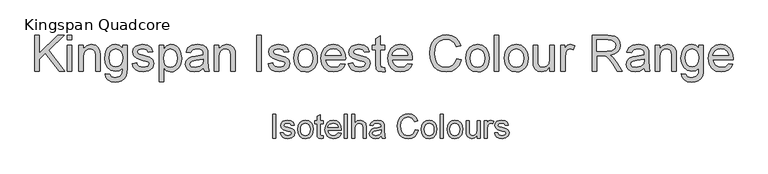
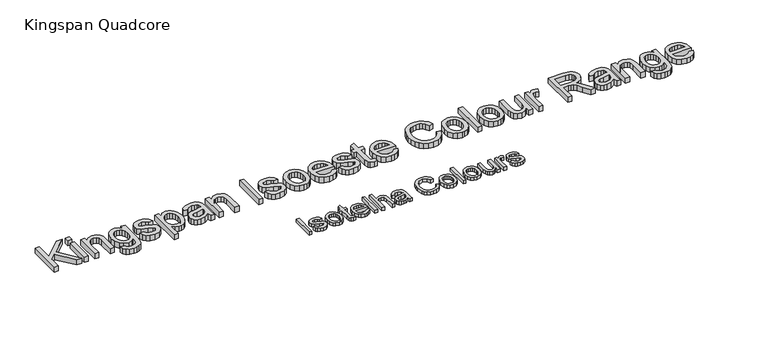
"""IFC4 building model written with IfcOpenShell, lengths in millimetres: proxy geometry, Kingspan Quadcore."""

from ifc_helpers import new_model, si_unit, origin, origin_with_axes, place, context, project, spatial, polyline, outline, extrude, source, transform, mapped, element, save


def kingspan_quadcore_5070884a(model_context):
    return source(origin(), model_context, "Body", "SweptSolid", [
        extrude(outline(polyline([(-1457.4013121, 700.0), (-1457.4013121, 850.6844652), (-1438.5657539, 850.6844652), (-1438.5657539, 776.9241252), (-1361.310535, 850.6844652), (-1334.9701841, 850.6844652), (-1399.8277798, 788.7331372), (-1332.6157393, 700.0), (-1355.6451522, 700.0), (-1413.1818963, 776.0044202), (-1438.5657539, 751.7977849), (-1438.5657539, 700.0), (-1457.4013121, 700.0)])), origin_with_axes(), (0.0, 0.0, 1.0), 25.0),
        extrude(outline(polyline([(-1320.8435155, 831.8489071), (-1320.8435155, 850.6844652), (-1302.0079573, 850.6844652), (-1302.0079573, 831.8489071), (-1320.8435155, 831.8489071)])), origin_with_axes(), (0.0, 0.0, 1.0), 25.0),
        extrude(outline(polyline([(-1320.8435155, 700.0), (-1320.8435155, 810.6589041), (-1302.0079573, 810.6589041), (-1302.0079573, 700.0), (-1320.8435155, 700.0)])), origin_with_axes(), (0.0, 0.0, 1.0), 25.0),
        extrude(outline(polyline([(-1273.7546201, 700.0), (-1273.7546201, 810.6589041), (-1254.9190619, 810.6589041), (-1254.9190619, 795.2078604), (-1240.5164818, 808.5619768), (-1220.8531892, 813.0133489), (-1203.0660947, 809.4264995), (-1190.9259889, 800.0087204), (-1185.2790003, 786.1579633), (-1184.2857189, 767.9478045), (-1184.2857189, 700.0), (-1203.121277, 700.0), (-1203.121277, 765.4094187), (-1205.2917808, 782.0744731), (-1212.9621204, 790.8852469), (-1225.8931725, 794.1777908), (-1236.9250339, 792.3291837), (-1246.3290174, 786.7833627), (-1252.7715508, 776.0687996), (-1254.9190619, 758.7139664), (-1254.9190619, 700.0), (-1273.7546201, 700.0)])), origin_with_axes(), (0.0, 0.0, 1.0), 25.0),
        extrude(outline(polyline([(-1163.095716, 690.5822209), (-1144.2601578, 688.2277762), (-1138.1533167, 678.2949623), (-1119.8695815, 674.1011075), (-1100.592565, 678.8467853), (-1091.3955151, 692.1641135), (-1090.1079281, 714.1266686), (-1103.370074, 703.5316672), (-1119.5384877, 700.0), (-1138.9580585, 704.1110813), (-1153.4388136, 716.4443252), (-1162.4473239, 734.5257252), (-1165.4501607, 755.8812751), (-1160.0606895, 785.0727114), (-1153.4664047, 796.9231102), (-1144.4624929, 805.7292854), (-1133.3570552, 811.192333), (-1120.4581927, 813.0133489), (-1103.6551826, 808.8930706), (-1090.1079281, 796.5322355), (-1090.1079281, 810.6589041), (-1071.27237, 810.6589041), (-1071.27237, 715.11995), (-1072.5599569, 693.0608259), (-1076.4227179, 678.5340856), (-1083.0767835, 668.9001758), (-1092.7382844, 661.5195433), (-1105.1956884, 656.8290479), (-1120.2374635, 655.2655494), (-1137.7624421, 657.4682428), (-1151.5626154, 664.0763232), (-1160.4147759, 675.1081845), (-1163.095716, 690.5822209)]), holes=[polyline([(-1146.6146026, 757.1688621), (-1144.6050472, 739.8922039), (-1138.576381, 728.0142139), (-1129.5126883, 721.1302221), (-1118.3980535, 718.8355582), (-1107.3661922, 721.1164265), (-1098.2565143, 727.9590316), (-1092.1450747, 739.6852702), (-1090.1079281, 756.6170391), (-1092.2048555, 772.9464011), (-1098.4956376, 784.7048294), (-1107.7386727, 791.8095504), (-1118.6923591, 794.1777908), (-1129.448309, 791.8463386), (-1138.4660164, 784.8519822), (-1144.577456, 773.2682979), (-1146.6146026, 757.1688621)])]), origin_with_axes(), (0.0, 0.0, 1.0), 25.0),
        extrude(outline(polyline([(-1050.082367, 732.9622268), (-1031.2468089, 735.3166715), (-1028.2761618, 727.2600558), (-1022.5280056, 721.3371557), (-1002.5520133, 716.4811134), (-983.3485731, 720.9324855), (-977.0945792, 731.3803342), (-978.6672747, 736.1811942), (-983.3853613, 739.8416201), (-1002.7727425, 745.2126972), (-1031.1364443, 754.4281412), (-1043.5156734, 765.1886895), (-1047.7279223, 780.3822159), (-1044.3434079, 794.4169141), (-1035.1095698, 805.1406742), (-1023.1350109, 810.7140864), (-1006.929809, 813.0133489), (-984.0107607, 809.3161349), (-969.4426337, 799.3097446), (-962.9679106, 782.4055669), (-981.8034687, 780.0511222), (-988.8851971, 790.4437885), (-1005.458281, 794.1777908), (-1023.4844988, 790.6093354), (-1028.8923641, 782.2952023), (-1026.6482839, 776.8137606), (-1019.6217378, 772.656694), (-1003.3981418, 768.6467803), (-975.7518099, 759.7808242), (-962.9127283, 749.7376457), (-958.259021, 733.366897), (-963.7220687, 715.3406792), (-979.4858122, 702.2624743), (-1002.8095307, 697.6455552), (-1021.8014387, 699.8712413), (-1035.6613928, 706.5482995), (-1044.913625, 717.6031535), (-1050.082367, 732.9622268)])), origin_with_axes(), (0.0, 0.0, 1.0), 25.0),
        extrude(outline(polyline([(-937.0690181, 657.6199942), (-937.0690181, 810.6589041), (-918.23346, 810.6589041), (-918.23346, 792.191228), (-905.2104373, 807.8078187), (-887.625678, 813.0133489), (-874.8877639, 811.192333), (-863.7501365, 805.7292854), (-854.6818453, 796.9552998), (-848.1519399, 785.2014701), (-842.8912273, 756.1755807), (-844.3765509, 740.0669478), (-848.8325216, 725.6597692), (-856.1165851, 713.6852102), (-866.0861871, 704.8744364), (-877.6974626, 699.4527755), (-889.9065463, 697.6455552), (-906.2956892, 702.4832035), (-918.23346, 714.7152798), (-918.23346, 657.6199942), (-937.0690181, 657.6199942)]), holes=[polyline([(-918.23346, 754.4465353), (-916.1963134, 737.5607517), (-910.0848738, 725.7517397), (-901.0671664, 718.79877), (-890.3112165, 716.4811134), (-879.3805227, 718.8815434), (-870.1328891, 726.0828335), (-863.8283114, 738.3241068), (-861.7267855, 755.8444869), (-863.7777276, 772.6382999), (-869.930554, 784.6128589), (-878.9344658, 791.7865578), (-889.5386643, 794.1777908), (-900.1842496, 791.6348065), (-909.5330508, 784.0058536), (-916.0583577, 771.5300554), (-918.23346, 754.4465353)])]), origin_with_axes(), (0.0, 0.0, 1.0), 25.0),
        extrude(outline(polyline([(-751.0678814, 714.1266686), (-769.3332224, 701.3611634), (-789.5115498, 697.6455552), (-805.2523007, 699.8804384), (-816.8635762, 706.5850877), (-824.0234795, 716.7662219), (-826.410114, 729.4305596), (-822.8048704, 744.3297804), (-813.331909, 755.1455111), (-800.1433395, 761.3259286), (-783.8461671, 764.15862), (-751.178246, 770.6333431), (-751.0678814, 774.8271978), (-752.3646654, 783.2333014), (-756.2550175, 788.7331372), (-764.9554267, 792.8166274), (-777.0771384, 794.1777908), (-796.1334258, 790.5541531), (-805.220111, 777.6966774), (-824.0556692, 780.0511222), (-815.907083, 798.4452219), (-799.499546, 809.2241644), (-774.6491172, 813.0133489), (-751.8220394, 809.6656228), (-738.9277755, 801.2595192), (-733.1520282, 788.4756198), (-732.2323232, 771.9945065), (-732.2323232, 748.5604234), (-731.27583, 715.8373199), (-727.5234337, 700.0), (-746.3589918, 700.0), (-751.0678814, 714.1266686)]), holes=[polyline([(-751.0678814, 751.7977849), (-781.4549342, 746.0220376), (-797.660136, 742.968617), (-804.9993818, 738.0022101), (-807.5745558, 730.7549348), (-801.9643554, 720.5646035), (-785.5016361, 716.4811134), (-766.4453488, 720.9876678), (-754.1580901, 731.895369), (-751.178246, 746.463496), (-751.0678814, 751.7977849)])]), origin_with_axes(), (0.0, 0.0, 1.0), 25.0),
        extrude(outline(polyline([(-706.3334307, 700.0), (-706.3334307, 810.6589041), (-687.4978726, 810.6589041), (-687.4978726, 795.2078604), (-673.0952925, 808.5619768), (-653.4319998, 813.0133489), (-635.6449054, 809.4264995), (-623.5047995, 800.0087204), (-617.8578109, 786.1579633), (-616.8645295, 767.9478045), (-616.8645295, 700.0), (-635.7000877, 700.0), (-635.7000877, 765.4094187), (-637.8705914, 782.0744731), (-645.540931, 790.8852469), (-658.4719832, 794.1777908), (-669.5038445, 792.3291837), (-678.907828, 786.7833627), (-685.3503614, 776.0687996), (-687.4978726, 758.7139664), (-687.4978726, 700.0), (-706.3334307, 700.0)])), origin_with_axes(), (0.0, 0.0, 1.0), 25.0),
        extrude(outline(polyline([(-527.3956283, 700.0), (-527.3956283, 850.6844652), (-508.5600701, 850.6844652), (-508.5600701, 700.0), (-527.3956283, 700.0)])), origin_with_axes(), (0.0, 0.0, 1.0), 25.0),
        extrude(outline(polyline([(-480.3067329, 732.9622268), (-461.4711747, 735.3166715), (-458.5005276, 727.2600558), (-452.7523715, 721.3371557), (-432.7763791, 716.4811134), (-413.572939, 720.9324855), (-407.3189451, 731.3803342), (-408.8916406, 736.1811942), (-413.6097272, 739.8416201), (-432.9971083, 745.2126972), (-461.3608102, 754.4281412), (-473.7400393, 765.1886895), (-477.9522881, 780.3822159), (-474.5677738, 794.4169141), (-465.3339357, 805.1406742), (-453.3593768, 810.7140864), (-437.1541749, 813.0133489), (-414.2351266, 809.3161349), (-399.6669996, 799.3097446), (-393.1922764, 782.4055669), (-412.0278346, 780.0511222), (-419.109563, 790.4437885), (-435.6826469, 794.1777908), (-453.7088647, 790.6093354), (-459.11673, 782.2952023), (-456.8726498, 776.8137606), (-449.8461037, 772.656694), (-433.6225077, 768.6467803), (-405.9761758, 759.7808242), (-393.1370941, 749.7376457), (-388.4833869, 733.366897), (-393.9464345, 715.3406792), (-409.710178, 702.2624743), (-433.0338965, 697.6455552), (-452.0258045, 699.8712413), (-465.8857587, 706.5482995), (-475.1379909, 717.6031535), (-480.3067329, 732.9622268)])), origin_with_axes(), (0.0, 0.0, 1.0), 25.0),
        extrude(outline(polyline([(-372.0022735, 755.3294521), (-367.9279804, 782.0100938), (-355.7051011, 800.7628785), (-340.6035452, 809.9507313), (-322.5221452, 813.0133489), (-302.7346924, 809.2839452), (-286.9295621, 798.095734), (-276.5690854, 780.3316322), (-273.1155932, 756.8745565), (-274.6423035, 737.8458603), (-279.2224343, 723.3605067), (-286.7226285, 712.5125864), (-297.0095288, 704.3961898), (-309.2278096, 699.3332139), (-322.5221452, 697.6455552), (-342.5487213, 701.3611634), (-358.3354574, 712.5079878), (-368.5855695, 730.6445702), (-372.0022735, 755.3294521)]), holes=[polyline([(-353.1667154, 755.3662403), (-350.9870145, 738.3195083), (-344.4479121, 726.174804), (-334.6070687, 718.904536), (-322.5221452, 716.4811134), (-310.4924039, 718.9183316), (-300.6699547, 726.2299863), (-294.1308522, 738.535639), (-291.9511514, 755.9548515), (-294.1446478, 772.5049427), (-300.725137, 784.4841002), (-310.5613818, 791.7543681), (-322.5221452, 794.1777908), (-334.6070687, 791.7635652), (-344.4479121, 784.5208884), (-350.9870145, 772.4037752), (-353.1667154, 755.3662403)])]), origin_with_axes(), (0.0, 0.0, 1.0), 25.0),
        extrude(outline(polyline([(-174.4496421, 732.9622268), (-155.981966, 730.607782), (-162.6360315, 716.6926455), (-173.2540256, 706.2907821), (-187.5968249, 699.806862), (-205.4253061, 697.6455552), (-227.525817, 701.374959), (-244.5311622, 712.5631701), (-255.374484, 730.4836218), (-258.9889246, 754.4097471), (-255.3376958, 779.1406142), (-244.3840094, 797.6358815), (-227.6085904, 809.1689821), (-206.4921639, 813.0133489), (-186.0333264, 809.1781791), (-169.6855703, 797.6726697), (-158.9664086, 779.2141906), (-155.3933548, 754.5201117), (-155.5037194, 749.4433402), (-240.1533665, 749.4433402), (-236.8930123, 735.3442627), (-229.3192417, 724.9791875), (-218.3885479, 718.6056319), (-205.0574241, 716.4811134), (-186.589748, 720.4174507), (-174.4496421, 732.9622268)]), holes=[polyline([(-240.1533665, 768.2788983), (-174.2289129, 768.2788983), (-176.7764957, 778.2301063), (-181.7704938, 785.3486229), (-192.7517714, 791.9704988), (-206.5657403, 794.1777908), (-219.2622677, 792.4165557), (-229.7607001, 787.1328506), (-237.0585592, 778.8968924), (-240.1533665, 768.2788983)])]), origin_with_axes(), (0.0, 0.0, 1.0), 25.0),
        extrude(outline(polyline([(-143.6211309, 732.9622268), (-124.7855728, 735.3166715), (-121.8149257, 727.2600558), (-116.0667695, 721.3371557), (-96.0907771, 716.4811134), (-76.887337, 720.9324855), (-70.6333431, 731.3803342), (-72.2060386, 736.1811942), (-76.9241252, 739.8416201), (-96.3115063, 745.2126972), (-124.6752082, 754.4281412), (-137.0544373, 765.1886895), (-141.2666861, 780.3822159), (-137.8821718, 794.4169141), (-128.6483337, 805.1406742), (-116.6737748, 810.7140864), (-100.4685729, 813.0133489), (-77.5495246, 809.3161349), (-62.9813976, 799.3097446), (-56.5066745, 782.4055669), (-75.3422326, 780.0511222), (-82.423961, 790.4437885), (-98.9970449, 794.1777908), (-117.0232627, 790.6093354), (-122.431128, 782.2952023), (-120.1870478, 776.8137606), (-113.1605017, 772.656694), (-96.9369057, 768.6467803), (-69.2905738, 759.7808242), (-56.4514922, 749.7376457), (-51.7977849, 733.366897), (-57.2608325, 715.3406792), (-73.024576, 702.2624743), (-96.3482945, 697.6455552), (-115.3402025, 699.8712413), (-129.2001567, 706.5482995), (-138.4523889, 717.6031535), (-143.6211309, 732.9622268)])), origin_with_axes(), (0.0, 0.0, 1.0), 25.0),
        extrude(outline(polyline([(9.4177791, 715.7085612), (11.7722238, 699.448177), (-2.3176566, 697.6455552), (-18.0997942, 700.7725522), (-25.9724689, 708.9763207), (-28.2533372, 730.3502646), (-28.2533372, 791.823346), (-42.3800058, 791.823346), (-42.3800058, 810.6589041), (-28.2533372, 810.6589041), (-28.2533372, 837.551078), (-9.4177791, 848.6243261), (-9.4177791, 810.6589041), (9.4177791, 810.6589041), (9.4177791, 791.823346), (-9.4177791, 791.823346), (-9.4177791, 730.9020876), (-8.4244977, 721.1900029), (-5.2055302, 717.7503063), (1.2140106, 716.4811134), (9.4177791, 715.7085612)])), origin_with_axes(), (0.0, 0.0, 1.0), 25.0),
        extrude(outline(polyline([(105.7292854, 732.9622268), (124.1969616, 730.607782), (117.542896, 716.6926455), (106.9249019, 706.2907821), (92.5821026, 699.806862), (74.7536214, 697.6455552), (52.6531106, 701.374959), (35.6477653, 712.5631701), (24.8044435, 730.4836218), (21.1900029, 754.4097471), (24.8412317, 779.1406142), (35.7949181, 797.6358815), (52.5703371, 809.1689821), (73.6867636, 813.0133489), (94.1456011, 809.1781791), (110.4933573, 797.6726697), (121.2125189, 779.2141906), (124.7855728, 754.5201117), (124.6752082, 749.4433402), (40.0255611, 749.4433402), (43.2859153, 735.3442627), (50.8596858, 724.9791875), (61.7903796, 718.6056319), (75.1215034, 716.4811134), (93.5891796, 720.4174507), (105.7292854, 732.9622268)]), holes=[polyline([(40.0255611, 768.2788983), (105.9500146, 768.2788983), (103.4024318, 778.2301063), (98.4084337, 785.3486229), (87.4271562, 791.9704988), (73.6131872, 794.1777908), (60.9166599, 792.4165557), (50.4182274, 787.1328506), (43.1203684, 778.8968924), (40.0255611, 768.2788983)])]), origin_with_axes(), (0.0, 0.0, 1.0), 25.0),
        extrude(outline(polyline([(310.7867095, 753.5636185), (329.6222677, 748.7075762), (320.9310555, 726.7588166), (307.2918306, 710.7237602), (289.3759774, 700.9151065), (267.8548807, 697.6455552), (246.0072887, 700.1195616), (228.6570541, 707.5415809), (215.35812, 719.6540956), (205.6644294, 736.1995883), (199.7461278, 755.6513488), (197.7733606, 776.4826668), (200.0036452, 798.454419), (206.694499, 817.4279329), (217.4964341, 832.8008017), (232.0599626, 843.9706188), (249.3320222, 850.7718372), (268.2595509, 853.03891), (288.9115264, 850.1050511), (305.9858495, 841.3034743), (318.9490913, 827.1768057), (327.2678229, 808.2676712), (308.4322648, 803.7795108), (301.9023593, 817.5153048), (292.981221, 826.9376824), (281.558485, 832.3869345), (267.5237869, 834.2033518), (251.3461762, 832.1891979), (238.0564391, 826.1467361), (227.9718739, 816.710563), (221.4097788, 804.5152748), (216.6089188, 776.519455), (218.029863, 759.1186366), (222.2926956, 744.072263), (229.558365, 731.9551498), (239.9878196, 723.3421126), (252.4912089, 718.1963632), (265.9786825, 716.4811134), (281.7010393, 718.8171641), (294.8022368, 725.8253161), (304.693664, 737.431993), (310.7867095, 753.5636185)])), origin_with_axes(), (0.0, 0.0, 1.0), 25.0),
        extrude(outline(polyline([(348.4578258, 755.3294521), (352.5321189, 782.0100938), (364.7549982, 800.7628785), (379.8565541, 809.9507313), (397.9379542, 813.0133489), (417.725407, 809.2839452), (433.5305372, 798.095734), (443.8910139, 780.3316322), (447.3445061, 756.8745565), (445.8177959, 737.8458603), (441.237665, 723.3605067), (433.7374708, 712.5125864), (423.4505705, 704.3961898), (411.2322898, 699.3332139), (397.9379542, 697.6455552), (377.9113781, 701.3611634), (362.124642, 712.5079878), (351.8745299, 730.6445702), (348.4578258, 755.3294521)]), holes=[polyline([(367.293384, 755.3662403), (369.4730848, 738.3195083), (376.0121873, 726.174804), (385.8530306, 718.904536), (397.9379542, 716.4811134), (409.9676954, 718.9183316), (419.7901447, 726.2299863), (426.3292472, 738.535639), (428.508948, 755.9548515), (426.3154516, 772.5049427), (419.7349624, 784.4841002), (409.8987176, 791.7543681), (397.9379542, 794.1777908), (385.8530306, 791.7635652), (376.0121873, 784.5208884), (369.4730848, 772.4037752), (367.293384, 755.3662403)])]), origin_with_axes(), (0.0, 0.0, 1.0), 25.0),
        extrude(outline(polyline([(468.5345091, 700.0), (468.5345091, 850.6844652), (487.3700672, 850.6844652), (487.3700672, 700.0), (468.5345091, 700.0)])), origin_with_axes(), (0.0, 0.0, 1.0), 25.0),
        extrude(outline(polyline([(510.9145149, 755.3294521), (514.988808, 782.0100938), (527.2116873, 800.7628785), (542.3132432, 809.9507313), (560.3946433, 813.0133489), (580.1820961, 809.2839452), (595.9872263, 798.095734), (606.347703, 780.3316322), (609.8011952, 756.8745565), (608.2744849, 737.8458603), (603.6943541, 723.3605067), (596.1941599, 712.5125864), (585.9072596, 704.3961898), (573.6889789, 699.3332139), (560.3946433, 697.6455552), (540.3680671, 701.3611634), (524.581331, 712.5079878), (514.3312189, 730.6445702), (510.9145149, 755.3294521)]), holes=[polyline([(529.7500731, 755.3662403), (531.9297739, 738.3195083), (538.4688763, 726.174804), (548.3097197, 718.904536), (560.3946433, 716.4811134), (572.4243845, 718.9183316), (582.2468338, 726.2299863), (588.7859362, 738.535639), (590.9656371, 755.9548515), (588.7721407, 772.5049427), (582.1916515, 784.4841002), (572.3554066, 791.7543681), (560.3946433, 794.1777908), (548.3097197, 791.7635652), (538.4688763, 784.5208884), (531.9297739, 772.4037752), (529.7500731, 755.3662403)])]), origin_with_axes(), (0.0, 0.0, 1.0), 25.0),
        extrude(outline(polyline([(701.6245412, 700.0), (701.6245412, 719.0194992), (686.8724732, 702.9890412), (667.6322448, 697.6455552), (649.9187268, 701.3979516), (637.7050445, 710.8157307), (632.0948441, 724.6848819), (630.9911981, 742.1960648), (630.9911981, 810.6589041), (649.8267563, 810.6589041), (649.8267563, 751.0620209), (650.9671905, 731.8585808), (658.4168009, 720.5829976), (672.451499, 716.4811134), (688.1784543, 720.6749681), (698.5711206, 732.0977041), (701.6245412, 753.0853719), (701.6245412, 810.6589041), (720.4600994, 810.6589041), (720.4600994, 700.0), (701.6245412, 700.0)])), origin_with_axes(), (0.0, 0.0, 1.0), 25.0),
        extrude(outline(polyline([(746.3589918, 700.0), (746.3589918, 810.6589041), (762.8401052, 810.6589041), (762.8401052, 794.2881554), (774.5387526, 809.3713172), (786.3109765, 813.0133489), (805.220111, 807.2008134), (798.9293289, 790.3150298), (785.6855771, 794.1777908), (775.0353933, 790.4621826), (768.2479705, 780.1614867), (765.19455, 758.1621434), (765.19455, 700.0), (746.3589918, 700.0)])), origin_with_axes(), (0.0, 0.0, 1.0), 25.0),
        extrude(outline(polyline([(878.2078989, 700.0), (878.2078989, 850.6844652), (943.139071, 850.6844652), (973.2870005, 846.6193692), (982.5668239, 840.9907747), (989.7681139, 832.2351832), (994.3896315, 821.3780658), (995.9301373, 809.4448936), (993.377956, 794.6008551), (985.721412, 782.2952023), (972.730579, 773.2728964), (954.1755309, 768.2788983), (964.8808969, 760.2222826), (980.1479997, 740.8349015), (1005.27434, 700.0), (983.3853613, 700.0), (963.777251, 731.2331814), (949.6137941, 751.9081495), (939.6625862, 761.6754165), (930.7046596, 765.2622659), (919.7785643, 765.9244535), (897.043457, 765.9244535), (897.043457, 700.0), (878.2078989, 700.0)]), holes=[polyline([(897.043457, 784.7600117), (939.2027337, 784.7600117), (960.7054363, 787.4271562), (972.9191185, 795.9620184), (977.0945792, 808.7459178), (975.1034179, 817.9337706), (969.129934, 825.3373958), (958.8522308, 830.2210292), (943.9484114, 831.8489071), (897.043457, 831.8489071), (897.043457, 784.7600117)])]), origin_with_axes(), (0.0, 0.0, 1.0), 25.0),
        extrude(outline(polyline([(1097.1712624, 714.1266686), (1078.9059214, 701.3611634), (1058.7275939, 697.6455552), (1042.9868431, 699.8804384), (1031.3755676, 706.5850877), (1024.2156642, 716.7662219), (1021.8290298, 729.4305596), (1025.4342734, 744.3297804), (1034.9072347, 755.1455111), (1048.0958043, 761.3259286), (1064.3929766, 764.15862), (1097.0608978, 770.6333431), (1097.1712624, 774.8271978), (1095.8744784, 783.2333014), (1091.9841263, 788.7331372), (1083.2837171, 792.8166274), (1071.1620054, 794.1777908), (1052.105718, 790.5541531), (1043.0190327, 777.6966774), (1024.1834746, 780.0511222), (1032.3320608, 798.4452219), (1048.7395978, 809.2241644), (1073.5900265, 813.0133489), (1096.4171043, 809.6656228), (1109.3113683, 801.2595192), (1115.0871156, 788.4756198), (1116.0068206, 771.9945065), (1116.0068206, 748.5604234), (1116.9633138, 715.8373199), (1120.7157101, 700.0), (1101.880152, 700.0), (1097.1712624, 714.1266686)]), holes=[polyline([(1097.1712624, 751.7977849), (1066.7842096, 746.0220376), (1050.5790077, 742.968617), (1043.2397619, 738.0022101), (1040.664588, 730.7549348), (1046.2747884, 720.5646035), (1062.7375077, 716.4811134), (1081.793795, 720.9876678), (1094.0810537, 731.895369), (1097.0608978, 746.463496), (1097.1712624, 751.7977849)])]), origin_with_axes(), (0.0, 0.0, 1.0), 25.0),
        extrude(outline(polyline([(1141.905713, 700.0), (1141.905713, 810.6589041), (1160.7412712, 810.6589041), (1160.7412712, 795.2078604), (1175.1438513, 808.5619768), (1194.8071439, 813.0133489), (1212.5942384, 809.4264995), (1224.7343442, 800.0087204), (1230.3813329, 786.1579633), (1231.3746143, 767.9478045), (1231.3746143, 700.0), (1212.5390561, 700.0), (1212.5390561, 765.4094187), (1210.3685523, 782.0744731), (1202.6982127, 790.8852469), (1189.7671606, 794.1777908), (1178.7352993, 792.3291837), (1169.3313158, 786.7833627), (1162.8887823, 776.0687996), (1160.7412712, 758.7139664), (1160.7412712, 700.0), (1141.905713, 700.0)])), origin_with_axes(), (0.0, 0.0, 1.0), 25.0),
        extrude(outline(polyline([(1252.5646172, 690.5822209), (1271.4001753, 688.2277762), (1277.5070165, 678.2949623), (1295.7907516, 674.1011075), (1315.0677682, 678.8467853), (1324.264818, 692.1641135), (1325.552405, 714.1266686), (1312.2902591, 703.5316672), (1296.1218454, 700.0), (1276.7022746, 704.1110813), (1262.2215196, 716.4443252), (1253.2130092, 734.5257252), (1250.2101724, 755.8812751), (1255.5996436, 785.0727114), (1262.1939284, 796.9231102), (1271.1978402, 805.7292854), (1282.303278, 811.192333), (1295.2021404, 813.0133489), (1312.0051505, 808.8930706), (1325.552405, 796.5322355), (1325.552405, 810.6589041), (1344.3879632, 810.6589041), (1344.3879632, 715.11995), (1343.1003762, 693.0608259), (1339.2376152, 678.5340856), (1332.5835497, 668.9001758), (1322.9220488, 661.5195433), (1310.4646447, 656.8290479), (1295.4228696, 655.2655494), (1277.8978911, 657.4682428), (1264.0977177, 664.0763232), (1255.2455572, 675.1081845), (1252.5646172, 690.5822209)]), holes=[polyline([(1269.0457306, 757.1688621), (1271.055286, 739.8922039), (1277.0839522, 728.0142139), (1286.1476448, 721.1302221), (1297.2622796, 718.8355582), (1308.2941409, 721.1164265), (1317.4038188, 727.9590316), (1323.5152585, 739.6852702), (1325.552405, 756.6170391), (1323.4554776, 772.9464011), (1317.1646955, 784.7048294), (1307.9216604, 791.8095504), (1296.967974, 794.1777908), (1286.2120242, 791.8463386), (1277.1943168, 784.8519822), (1271.0828771, 773.2682979), (1269.0457306, 757.1688621)])]), origin_with_axes(), (0.0, 0.0, 1.0), 25.0),
        extrude(outline(polyline([(1450.1172486, 732.9622268), (1468.5849247, 730.607782), (1461.9308592, 716.6926455), (1451.3128651, 706.2907821), (1436.9700658, 699.806862), (1419.1415846, 697.6455552), (1397.0410737, 701.374959), (1380.0357285, 712.5631701), (1369.1924067, 730.4836218), (1365.5779661, 754.4097471), (1369.2291949, 779.1406142), (1380.1828813, 797.6358815), (1396.9583003, 809.1689821), (1418.0747268, 813.0133489), (1438.5335643, 809.1781791), (1454.8813204, 797.6726697), (1465.6004821, 779.2141906), (1469.1735359, 754.5201117), (1469.0631713, 749.4433402), (1384.4135242, 749.4433402), (1387.6738784, 735.3442627), (1395.247649, 724.9791875), (1406.1783428, 718.6056319), (1419.5094666, 716.4811134), (1437.9771427, 720.4174507), (1450.1172486, 732.9622268)]), holes=[polyline([(1384.4135242, 768.2788983), (1450.3379778, 768.2788983), (1447.790395, 778.2301063), (1442.7963969, 785.3486229), (1431.8151193, 791.9704988), (1418.0011504, 794.1777908), (1405.3046231, 792.4165557), (1394.8061906, 787.1328506), (1387.5083315, 778.8968924), (1384.4135242, 768.2788983)])]), origin_with_axes(), (0.0, 0.0, 1.0), 25.0),
        extrude(outline(polyline([(-459.9015449, 420.0), (-459.9015449, 520.4563101), (-447.3445061, 520.4563101), (-447.3445061, 420.0), (-459.9015449, 420.0)])), origin_with_axes(), (0.0, 0.0, 1.0), 15.0),
        extrude(outline(polyline([(-428.508948, 441.9748178), (-415.9519092, 443.5444477), (-410.1393737, 434.2247705), (-396.8220455, 430.9874089), (-384.019752, 433.9549904), (-379.8504228, 440.9202228), (-384.0442775, 446.5610801), (-396.9691983, 450.1417981), (-415.8783328, 456.2854275), (-424.1311522, 463.4591264), (-426.9393181, 473.588144), (-424.6829752, 482.9446094), (-418.5270832, 490.0937828), (-410.5440439, 493.809391), (-399.740576, 495.3422326), (-384.4612104, 492.8774232), (-374.7491258, 486.2064964), (-370.4326437, 474.9370446), (-382.9896824, 473.3674148), (-387.7108347, 480.295859), (-398.7595573, 482.7851938), (-410.7770358, 480.4062236), (-414.3822794, 474.8634682), (-412.8862259, 471.2091737), (-408.2018618, 468.437796), (-397.3861312, 465.7645202), (-378.9552432, 459.8538828), (-370.3958555, 453.1584305), (-367.293384, 442.244598), (-370.9354157, 430.2271195), (-381.4445781, 421.5083162), (-396.9937237, 418.4303702), (-409.6549957, 419.9141609), (-418.8949652, 424.365533), (-425.06312, 431.7354356), (-428.508948, 441.9748178)])), origin_with_axes(), (0.0, 0.0, 1.0), 15.0),
        extrude(outline(polyline([(-356.3059751, 456.8863014), (-353.5897797, 474.6733958), (-345.4411935, 487.1752523), (-335.3734895, 493.3004875), (-323.3192228, 495.3422326), (-310.1275876, 492.8559635), (-299.5908341, 485.397156), (-292.6838497, 473.5544214), (-290.3815215, 457.916371), (-294.4527489, 435.5736711), (-306.3108119, 422.9307932), (-323.3192228, 418.4303702), (-336.6702736, 420.9074423), (-347.1947643, 428.3386586), (-354.0281724, 440.4297135), (-356.3059751, 456.8863014)]), holes=[polyline([(-343.7489363, 456.9108268), (-342.2958024, 445.5463389), (-337.9364008, 437.4498693), (-331.3758385, 432.603024), (-323.3192228, 430.9874089), (-315.2993953, 432.6122211), (-308.7510958, 437.4866575), (-304.3916942, 445.690426), (-302.9385603, 457.3032343), (-304.4008912, 468.3366285), (-308.787884, 476.3227335), (-315.3453806, 481.1695787), (-323.3192228, 482.7851938), (-331.3758385, 481.1757101), (-337.9364008, 476.3472589), (-342.2958024, 468.2691835), (-343.7489363, 456.9108268)])]), origin_with_axes(), (0.0, 0.0, 1.0), 15.0),
        extrude(outline(polyline([(-249.5711455, 430.4723741), (-248.0015157, 419.632118), (-257.3947693, 418.4303702), (-267.9161944, 420.5150348), (-273.1646442, 425.9842138), (-274.6852231, 440.2335097), (-274.6852231, 481.215564), (-284.1030021, 481.215564), (-284.1030021, 493.7726028), (-274.6852231, 493.7726028), (-274.6852231, 511.7007187), (-262.1281843, 519.082884), (-262.1281843, 493.7726028), (-249.5711455, 493.7726028), (-249.5711455, 481.215564), (-262.1281843, 481.215564), (-262.1281843, 440.6013917), (-261.4659967, 434.1266686), (-259.3200184, 431.8335375), (-255.0403245, 430.9874089), (-249.5711455, 430.4723741)])), origin_with_axes(), (0.0, 0.0, 1.0), 15.0),
        extrude(outline(polyline([(-185.3634746, 441.9748178), (-173.0516905, 440.405188), (-177.4877343, 431.1284304), (-184.566397, 424.1938547), (-194.1282632, 419.8712413), (-206.0139173, 418.4303702), (-220.7475912, 420.9166393), (-232.084488, 428.3754468), (-239.3133692, 440.3224146), (-241.7229963, 456.2731647), (-239.2888438, 472.7604095), (-231.9863862, 485.0905877), (-220.8027735, 492.7793214), (-206.7251558, 495.3422326), (-193.0859309, 492.7854527), (-182.1874267, 485.1151131), (-175.041319, 472.8094604), (-172.6592831, 456.3467411), (-172.7328595, 452.9622268), (-229.1659575, 452.9622268), (-226.9923881, 443.5628418), (-221.9432077, 436.6527916), (-214.6560785, 432.4037546), (-205.7686626, 430.9874089), (-193.4568785, 433.6116338), (-185.3634746, 441.9748178)]), holes=[polyline([(-229.1659575, 465.5192655), (-185.2163218, 465.5192655), (-190.2440424, 476.8990819), (-197.5648941, 481.3136659), (-206.7742068, 482.7851938), (-222.2375133, 478.088567), (-227.1027527, 472.5979283), (-229.1659575, 465.5192655)])]), origin_with_axes(), (0.0, 0.0, 1.0), 15.0),
        extrude(outline(polyline([(-160.1022443, 420.0), (-160.1022443, 520.4563101), (-147.5452055, 520.4563101), (-147.5452055, 420.0), (-160.1022443, 420.0)])), origin_with_axes(), (0.0, 0.0, 1.0), 15.0),
        extrude(outline(polyline([(-128.7096474, 420.0), (-128.7096474, 520.4563101), (-116.1526086, 520.4563101), (-116.1526086, 483.5209578), (-106.3608162, 492.3869139), (-94.3004181, 495.3422326), (-80.1982749, 492.1171338), (-71.6388872, 483.2021268), (-69.0637132, 466.6964879), (-69.0637132, 420.0), (-81.620752, 420.0), (-81.620752, 465.3966382), (-85.618403, 478.64039), (-96.9491685, 482.7851938), (-107.2376016, 479.9892907), (-114.1047322, 472.4109216), (-116.1526086, 459.1916952), (-116.1526086, 420.0), (-128.7096474, 420.0)])), origin_with_axes(), (0.0, 0.0, 1.0), 15.0),
        extrude(outline(polyline([(-4.7088895, 429.4177791), (-16.8857836, 420.9074423), (-30.3380019, 418.4303702), (-40.8318358, 419.9202922), (-48.5726861, 424.3900585), (-53.345955, 431.1774813), (-54.9370446, 439.6203731), (-52.5335489, 449.5531869), (-46.2182413, 456.7636741), (-37.4258616, 460.8839524), (-26.5610801, 462.7724133), (-4.7824659, 467.0888954), (-4.7088895, 469.8847985), (-8.1669803, 479.1554248), (-22.0483942, 482.7851938), (-34.7525858, 480.3694354), (-40.810376, 471.7977849), (-53.3674148, 473.3674148), (-47.935024, 485.6301479), (-36.996666, 492.8161096), (-20.4297135, 495.3422326), (-5.2116616, 493.1104152), (3.3845144, 487.5063461), (7.2350126, 478.9837466), (7.8481492, 467.9963376), (7.8481492, 452.3736156), (8.4858114, 430.5582133), (10.9874089, 420.0), (-1.5696298, 420.0), (-4.7088895, 429.4177791)]), holes=[polyline([(-4.7088895, 454.5318566), (-24.9669247, 450.6813584), (-35.7703927, 448.6457447), (-40.6632232, 445.3348067), (-42.3800058, 440.5032899), (-38.6398722, 433.7097357), (-27.664726, 430.9874089), (-14.9605345, 433.9917785), (-6.7690287, 441.2635793), (-4.7824659, 450.975664), (-4.7088895, 454.5318566)])]), origin_with_axes(), (0.0, 0.0, 1.0), 15.0),
        extrude(outline(polyline([(136.5577966, 455.709079), (149.1148354, 452.4717174), (143.320694, 437.8392111), (134.2278773, 427.1491734), (122.2839752, 420.610071), (107.9365774, 418.4303702), (93.3715161, 420.0797078), (81.804693, 425.0277206), (72.9387369, 433.1027304), (66.4762765, 444.1330589), (61.215564, 470.9884445), (62.7024204, 485.6362793), (67.1629896, 498.2852886), (74.3642796, 508.5338678), (84.0732986, 515.9804125), (95.5880051, 520.5145581), (108.2063575, 522.02594), (121.9743412, 520.0700341), (133.3572233, 514.2023162), (141.9993845, 504.7845372), (147.5452055, 492.1784475), (134.9881668, 489.1863406), (124.6874709, 504.6251216), (107.7158482, 509.4689012), (88.0709496, 504.0978241), (76.9731761, 489.6768499), (73.7726028, 471.01297), (77.5617873, 449.3815087), (89.3585366, 435.5614084), (106.6857786, 430.9874089), (117.1673498, 432.544776), (125.9014815, 437.2168774), (132.4957662, 444.954662), (136.5577966, 455.709079)])), origin_with_axes(), (0.0, 0.0, 1.0), 15.0),
        extrude(outline(polyline([(161.6718741, 456.8863014), (164.3880695, 474.6733958), (172.5366557, 487.1752523), (182.6043597, 493.3004875), (194.6586264, 495.3422326), (207.8502616, 492.8559635), (218.3870151, 485.397156), (225.2939995, 473.5544214), (227.5963277, 457.916371), (223.5251003, 435.5736711), (211.6670373, 422.9307932), (194.6586264, 418.4303702), (181.3075756, 420.9074423), (170.7830849, 428.3386586), (163.9496768, 440.4297135), (161.6718741, 456.8863014)]), holes=[polyline([(174.2289129, 456.9108268), (175.6820468, 445.5463389), (180.0414484, 437.4498693), (186.6020107, 432.603024), (194.6586264, 430.9874089), (202.6784539, 432.6122211), (209.2267534, 437.4866575), (213.586155, 445.690426), (215.0392889, 457.3032343), (213.576958, 468.3366285), (209.1899652, 476.3227335), (202.6324686, 481.1695787), (194.6586264, 482.7851938), (186.6020107, 481.1757101), (180.0414484, 476.3472589), (175.6820468, 468.2691835), (174.2289129, 456.9108268)])]), origin_with_axes(), (0.0, 0.0, 1.0), 15.0),
        extrude(outline(polyline([(241.7229963, 420.0), (241.7229963, 520.4563101), (254.2800351, 520.4563101), (254.2800351, 420.0), (241.7229963, 420.0)])), origin_with_axes(), (0.0, 0.0, 1.0), 15.0),
        extrude(outline(polyline([(269.9763335, 456.8863014), (272.6925289, 474.6733958), (280.8411151, 487.1752523), (290.9088191, 493.3004875), (302.9630858, 495.3422326), (316.154721, 492.8559635), (326.6914745, 485.397156), (333.5984589, 473.5544214), (335.9007871, 457.916371), (331.8295596, 435.5736711), (319.9714967, 422.9307932), (302.9630858, 418.4303702), (289.612035, 420.9074423), (279.0875443, 428.3386586), (272.2541362, 440.4297135), (269.9763335, 456.8863014)]), holes=[polyline([(282.5333723, 456.9108268), (283.9865062, 445.5463389), (288.3459078, 437.4498693), (294.9064701, 432.603024), (302.9630858, 430.9874089), (310.9829133, 432.6122211), (317.5312128, 437.4866575), (321.8906144, 445.690426), (323.3437483, 457.3032343), (321.8814174, 468.3366285), (317.4944246, 476.3227335), (310.936928, 481.1695787), (302.9630858, 482.7851938), (294.9064701, 481.1757101), (288.3459078, 476.3472589), (283.9865062, 468.2691835), (282.5333723, 456.9108268)])]), origin_with_axes(), (0.0, 0.0, 1.0), 15.0),
        extrude(outline(polyline([(397.1163511, 420.0), (397.1163511, 432.6796661), (387.2816391, 421.9926941), (374.4548202, 418.4303702), (362.6458081, 420.9319677), (354.5033533, 427.2104871), (350.7632197, 436.4565879), (350.0274557, 448.1307099), (350.0274557, 493.7726028), (362.5844944, 493.7726028), (362.5844944, 454.0413473), (363.3447839, 441.2390539), (368.3111908, 433.7219984), (377.6676562, 430.9874089), (388.1522931, 433.7833121), (395.0807374, 441.3984694), (397.1163511, 455.3902479), (397.1163511, 493.7726028), (409.6733898, 493.7726028), (409.6733898, 420.0), (397.1163511, 420.0)])), origin_with_axes(), (0.0, 0.0, 1.0), 15.0),
        extrude(outline(polyline([(426.9393181, 420.0), (426.9393181, 493.7726028), (437.9267271, 493.7726028), (437.9267271, 482.8587702), (445.7258254, 492.9142114), (453.5739746, 495.3422326), (466.1800643, 491.4672089), (461.9862095, 480.2100199), (453.1570417, 482.7851938), (446.0569192, 480.3081217), (441.5319706, 473.4409912), (439.4963569, 458.7747623), (439.4963569, 420.0), (426.9393181, 420.0)])), origin_with_axes(), (0.0, 0.0, 1.0), 15.0),
        extrude(outline(polyline([(469.319324, 441.9748178), (481.8763627, 443.5444477), (487.6888983, 434.2247705), (501.0062265, 430.9874089), (513.8085199, 433.9549904), (517.9778492, 440.9202228), (513.7839945, 446.5610801), (500.8590737, 450.1417981), (481.9499391, 456.2854275), (473.6971197, 463.4591264), (470.8889538, 473.588144), (473.1452967, 482.9446094), (479.3011888, 490.0937828), (487.2842281, 493.809391), (498.087696, 495.3422326), (513.3670615, 492.8774232), (523.0791462, 486.2064964), (527.3956283, 474.9370446), (514.8385895, 473.3674148), (510.1174372, 480.295859), (499.0687147, 482.7851938), (487.0512361, 480.4062236), (483.4459926, 474.8634682), (484.942046, 471.2091737), (489.6264101, 468.437796), (500.4421408, 465.7645202), (518.8730287, 459.8538828), (527.4324165, 453.1584305), (530.534888, 442.244598), (526.8928562, 430.2271195), (516.3836939, 421.5083162), (500.8345482, 418.4303702), (488.1732762, 419.9141609), (478.9333068, 424.365533), (472.765152, 431.7354356), (469.319324, 441.9748178)])), origin_with_axes(), (0.0, 0.0, 1.0), 15.0),
    ])


if __name__ == "__main__":
    model = new_model("IFC4")
    model_context = context("Model", 3, world=origin())
    ifc_project = project(units=[si_unit("LENGTHUNIT", "METRE", prefix="MILLI")], contexts=[model_context])
    site = spatial("IfcSite", under=ifc_project)
    building = spatial("IfcBuilding", under=site)
    placement = place(None, origin())
    kingspan_quadcore_shape = kingspan_quadcore_5070884a(model_context)
    element("IfcBuildingElementProxy", 1, Name="Kingspan Quadcore", ObjectType="Kingspan Quadcore", at=placement, inside=building, context=model_context, shape_type="MappedRepresentation", body=[
        mapped(kingspan_quadcore_shape, transform((0.0, 0.0, 0.0), x_axis=(1.0, 0.0, 0.0), y_axis=(0.0, 1.0, 0.0), z_axis=(0.0, 0.0, 1.0))),
    ])
    save(model, "model.ifc")
